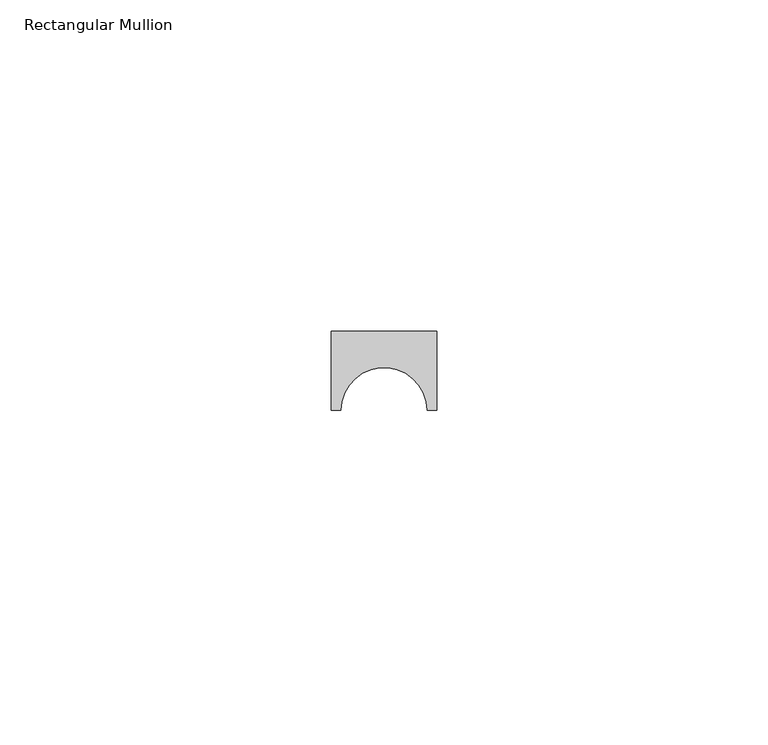
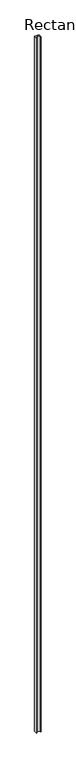
"""IFC4 building model written with IfcOpenShell, lengths in millimetres: member geometry, Rectangular Mullion."""

from ifc_helpers import new_model, si_unit, point, frame, frame_2d, origin, place, context, project, spatial, polyline, circle_curve, trimmed, segment, composite_curve, outline, extrude, source, transform, mapped, element, save


def rectangular_mullion_c70871ed(model_context):
    return source(origin(), model_context, "Body", "SweptSolid", [
        extrude(outline(composite_curve([segment(polyline([(8.0, 0.0), (8.0, -12.0), (6.5, -12.0)]), True, "CONTINUOUS"), segment(trimmed(circle_curve(frame_2d((0.0, -12.0)), 6.5), [point((6.5, -12.0))], [point((-6.5, -12.0))], True, "CARTESIAN"), True, "CONTINUOUS"), segment(polyline([(-6.5, -12.0), (-8.0, -12.0), (-8.0, 0.0), (8.0, 0.0)]), True, "CONTINUOUS")], self_intersect=False)), frame((0.0, 0.0, -2700.0), z_axis=(0.0, 0.0, 1.0), x_axis=(1.0, 0.0, 0.0)), (0.0, 0.0, 1.0), 2700.0),
    ])


if __name__ == "__main__":
    model = new_model("IFC4")
    model_context = context("Model", 3, world=origin())
    ifc_project = project(units=[si_unit("LENGTHUNIT", "METRE", prefix="MILLI")], contexts=[model_context])
    site = spatial("IfcSite", under=ifc_project)
    building = spatial("IfcBuilding", under=site)
    placement = place(None, origin())
    rectangular_mullion_shape = rectangular_mullion_c70871ed(model_context)
    element("IfcMember", 1, ObjectType="Rectangular Mullion", at=placement, inside=building, context=model_context, shape_type="MappedRepresentation", body=[
        mapped(rectangular_mullion_shape, transform((0.0, 0.0, 0.0), x_axis=(1.0, 0.0, 0.0), y_axis=(0.0, 1.0, 0.0), z_axis=(0.0, 0.0, 1.0))),
    ])
    save(model, "model.ifc")
